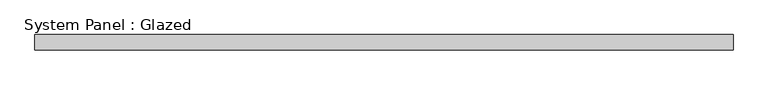
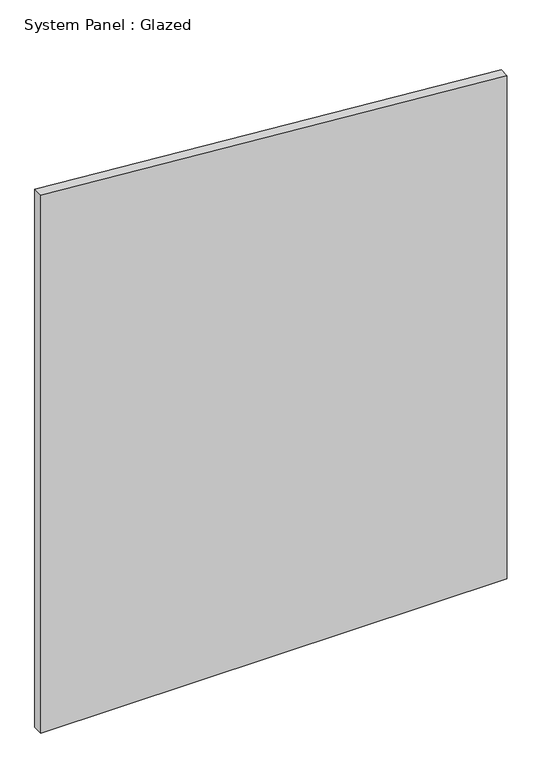
"""IFC4 building model written with IfcOpenShell, lengths in millimetres: plate geometry, System Panel : Glazed."""

from ifc_helpers import new_model, si_unit, frame, origin, place, context, project, spatial, polyline, outline, extrude, source, transform, mapped, element, save


def system_panel_glazed_02370f27(model_context):
    return source(origin(), model_context, "Body", "SweptSolid", [
        extrude(outline(polyline([(0.0, -573.2875), (0.0, 573.2875), (1306.4094978, 573.2875), (1397.0031764, -573.2875), (0.0, -573.2875)])), frame((0.0, 19.05, 0.0), z_axis=(0.0, 1.0, 0.0), x_axis=(0.0, 0.0, 1.0)), (0.0, 0.0, 1.0), 25.4),
    ])


if __name__ == "__main__":
    model = new_model("IFC4")
    model_context = context("Model", 3, world=origin())
    ifc_project = project(units=[si_unit("LENGTHUNIT", "METRE", prefix="MILLI")], contexts=[model_context])
    site = spatial("IfcSite", under=ifc_project)
    building = spatial("IfcBuilding", under=site)
    placement = place(None, origin())
    system_panel_glazed_shape = system_panel_glazed_02370f27(model_context)
    element("IfcPlate", 1, ObjectType="System Panel : Glazed", at=placement, inside=building, context=model_context, shape_type="MappedRepresentation", body=[
        mapped(system_panel_glazed_shape, transform((0.0, 0.0, 0.0), x_axis=(1.0, 0.0, 0.0), y_axis=(0.0, 1.0, 0.0), z_axis=(0.0, 0.0, 1.0))),
    ])
    save(model, "model.ifc")
